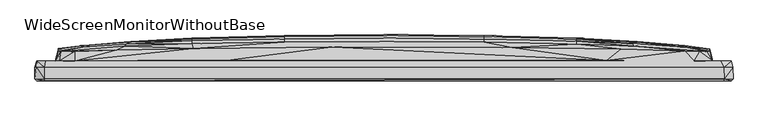
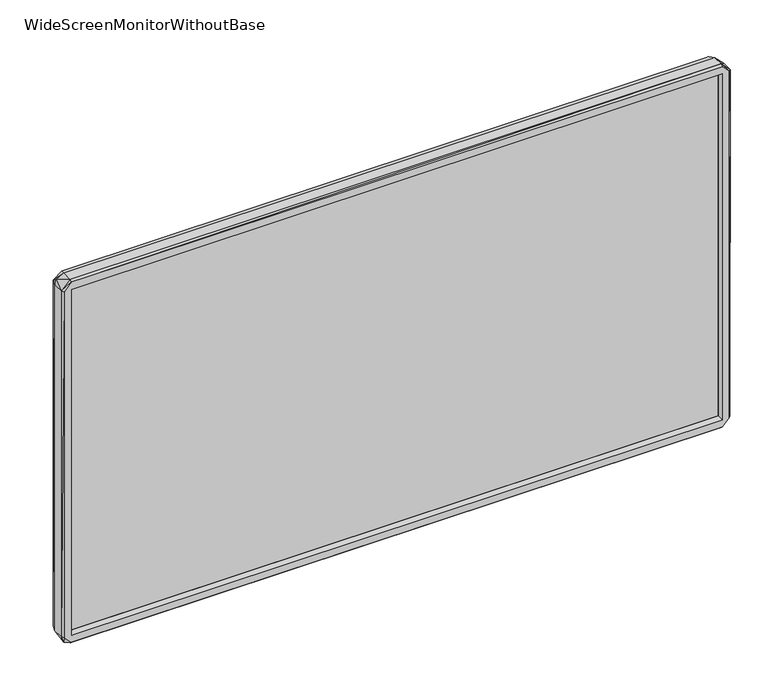
"""IFC4 building model written with IfcOpenShell, lengths in millimetres: furniture geometry, WideScreenMonitorWithoutBase."""

from ifc_helpers import new_model, si_unit, origin, place, context, project, spatial, triangles, source, transform, mapped, element, save


def widescreenmonitorwithoutbase_700a3e0c(model_context):
    return source(origin(), model_context, "Body", "Tessellation", [
        triangles([(-524.0943543, -0.9800916, 14.639141), (-523.9943241, 16.319908, 14.3391411), (-519.8943563, -0.9800909, 4.5391414), (-521.2943436, -4.0800911, 14.2391415), (-524.0943543, 16.319908, 587.7769135), (-523.9943241, -0.9800916, 588.3768768), (-521.4943314, -4.0800911, 587.7769135), (-520.9943619, 25.5199085, 16.1391402), (-510.2943246, 16.3199102, 0.1391416), (-521.2943436, 25.5199085, 589.2768946), (-510.3943185, -4.0800894, 14.5391414), (-510.3943185, -4.0800894, 588.176889), (-509.9943429, -4.0800888, 2.6391416), (-451.2278718, 25.5199221, 2.6391416), (-493.6943204, 26.119915, 54.7391415), (-465.1278591, 26.1199173, 26.7391405), (-493.8943445, 26.119915, 547.4931078), (-510.194367, -0.9800892, 0.0391416), (-507.2943624, 2.419911, 17.9391405), (507.3023561, 2.4200884, 17.9391405), (510.4023122, -4.0799106, 14.5391414), (510.1023305, -4.0799106, 2.6391416), (510.1023305, 16.3200885, 0.0391416), (510.5023424, -0.9799107, 0.1391416), (507.3023561, 8.9200877, 17.9391405), (-507.2943624, 8.9199105, 17.9391405), (-507.2943624, 8.9199105, 584.7768785), (-507.2943624, 2.419911, 584.7768785), (134.4369613, 9.1200238, 240.9742265), (-489.2943346, 42.1012638, 115.8066849), (-486.5943541, 40.1012632, 50.9391373), (-476.2943287, 39.8012679, 36.639138), (-427.127853, 41.3012763, 30.5391402), (88.536965, 46.6013615, 30.5391402), (185.0034605, 26.920032, 26.2391415), (507.9023194, 25.5200902, 2.7391414), (465.0358589, 26.1200808, 26.7391405), (331.3029244, 43.9014082, 30.5391402), (450.7358597, 40.601428, 30.7391416), (473.9023599, 39.9014298, 35.2391417), (487.9023411, 26.0200846, 37.5391399), (521.2023434, 25.5200924, 13.039141), (487.4023353, 40.2014388, 55.8229144), (493.6023202, 26.1200853, 57.3229137), (507.3023561, 8.9200877, 584.7768785), (507.3023561, 2.4200884, 584.7768785), (510.4023122, -4.0799106, 588.176889), (524.0023905, 16.3200908, 14.5391414), (521.4023675, -4.0799086, 14.639141), (524.0023905, -0.9799084, 14.4391418), (521.3023373, 25.5200924, 589.2768946), (523.9023602, 16.3200908, 588.576901), (521.3023373, -4.0799086, 588.576901), (524.102348, -0.9799084, 588.0768951), (-368.2613517, 48.7012879, 80.4229163), (-451.3278657, 46.8012721, 137.0066809), (-373.4613613, 52.0012818, 138.0066834), (-288.4284339, 51.4013002, 80.4229163), (-191.2954638, 45.801315, 30.5391402), (-150.0954623, 54.0013232, 80.4229163), (0.0039932, 54.90135, 80.4229163), (150.1034378, 54.0013777, 80.4229163), (288.4364094, 51.801403, 84.7229173), (349.8029217, 49.9014099, 85.9229076), (425.5358717, 45.901427, 80.4229163), (493.7023504, 26.1200853, 548.0768658), (489.3023283, 43.2014373, 171.8904528), (489.3023283, 43.5014372, 418.2255621), (-288.4284339, 55.7013012, 137.8066865), (-150.0954623, 59.1013253, 138.7066861), (0.0039923, 60.1013506, 138.0066834), (150.1034378, 58.9013738, 136.706681), (288.4364094, 56.2014024, 145.2066891), (391.4693828, 51.0014155, 136.806684), (451.3358594, 46.5014267, 130.8066869), (-489.2943346, 44.3012657, 254.2742505), (-451.3278657, 49.0012741, 269.6742371), (-489.0943468, 40.9012643, 527.6930809), (-378.7613648, 54.4012806, 220.4742424), (-288.4284339, 59.101298, 220.4742424), (-150.0954623, 62.9013159, 220.4742424), (0.0039916, 64.1013517, 220.4742424), (150.1034378, 62.9013795, 220.4742424), (288.4364094, 59.1014025, 220.4742424), (381.2693876, 54.2014154, 220.4742424), (451.3358594, 48.7014287, 220.4742424), (451.3358594, 49.0014285, 331.9417663), (-489.2943346, 43.701266, 400.6255463), (-379.9613643, 55.1012833, 301.1580166), (-451.3278657, 48.7012697, 381.9417666), (-381.2613939, 54.2012837, 381.9417666), (-288.4284339, 60.0012976, 301.1580166), (-150.0954623, 64.0013214, 301.1580166), (0.0039914, 65.3013511, 301.1580166), (150.1034378, 64.0013805, 301.1580166), (288.4364094, 60.0014021, 301.1580166), (379.9693943, 55.101415, 301.1580166), (-288.4284339, 59.101298, 381.9417666), (-150.0954623, 62.9013159, 381.9417666), (0.0039916, 64.1013517, 381.9417666), (150.1034378, 62.9013795, 381.9417666), (288.4364094, 59.1014025, 381.9417666), (378.6693646, 54.4014169, 381.9417666), (-451.3278657, 46.5012723, 471.6092949), (-387.6613667, 51.6012835, 457.2093018), (-288.4284339, 56.2012979, 457.2093018), (-150.0954623, 58.9013193, 465.6092978), (0.0039923, 60.1013506, 464.4093347), (150.1034378, 59.1013753, 463.709341), (288.4364094, 55.7014056, 464.5092922), (373.4693913, 52.001418, 464.4093347), (451.3358594, 46.8014311, 465.40931), (489.1023768, 40.5014341, 538.4931121), (-484.9943427, 39.9012618, 555.7769045), (-388.96136, 48.1012836, 516.6930619), (-288.4284339, 51.7013001, 518.1930794), (-150.0954623, 54.0013232, 521.9931018), (0.0039932, 54.90135, 521.9931018), (150.1034378, 54.0013777, 521.9931018), (288.4364094, 51.4014047, 521.9931018), (373.8694033, 48.4014152, 521.9931018), (485.5023786, 40.0014374, 554.7768929), (-487.8943474, 26.0199143, 565.1769121), (-402.16139, 42.3012788, 571.9768968), (-286.6284166, 44.7013004, 571.9768968), (-77.6624925, 46.7013327, 571.9768968), (191.9034209, 45.9013861, 571.9768968), (355.8028825, 43.5014145, 571.9768968), (451.3358594, 40.501425, 571.6769151), (-521.794313, 16.5199094, 595.6769036), (-510.3943185, -0.9800893, 602.6768761), (-510.194367, -4.0800894, 599.9768955), (-510.0943368, 16.3199102, 602.6768761), (-508.3943679, 25.5199108, 600.0769258), (-464.2278414, 26.1199173, 576.0768645), (510.7023665, -0.9799107, 602.5769185), (510.1023305, 16.3200885, 602.6768761), (510.1023305, -4.0799106, 600.0769258), (505.9023325, 25.5200879, 600.0769258), (-230.6619199, 26.9199593, 576.4768764), (-464.2278414, 40.1012677, 569.8769159), (333.5028992, 26.6200594, 576.4768764), (465.5358647, 26.1200808, 575.8768767), (474.1023477, 39.8014359, 567.1768627)], [[1, 2, 3], [1, 3, 4], [1, 5, 2], [1, 6, 5], [1, 7, 6], [1, 4, 7], [2, 8, 9], [2, 9, 3], [2, 5, 10], [2, 10, 8], [4, 11, 12], [4, 13, 11], [4, 12, 7], [4, 3, 13], [8, 14, 9], [8, 15, 16], [8, 16, 14], [8, 17, 15], [8, 10, 17], [3, 18, 13], [3, 9, 18], [11, 19, 12], [11, 20, 19], [11, 21, 20], [11, 13, 22], [11, 22, 21], [9, 14, 23], [9, 23, 18], [18, 23, 24], [18, 24, 13], [13, 24, 22], [19, 25, 26], [19, 20, 25], [19, 26, 27], [19, 28, 12], [19, 27, 28], [26, 25, 29], [26, 29, 27], [15, 30, 31], [15, 17, 30], [15, 31, 32], [15, 32, 16], [16, 32, 33], [16, 33, 34], [16, 34, 35], [16, 35, 14], [14, 35, 36], [14, 36, 23], [35, 37, 36], [35, 34, 38], [35, 38, 37], [37, 38, 39], [37, 39, 40], [37, 40, 41], [37, 41, 42], [37, 42, 36], [41, 40, 43], [41, 43, 44], [41, 44, 42], [25, 45, 29], [25, 20, 46], [25, 46, 45], [20, 21, 47], [20, 47, 46], [36, 42, 23], [23, 42, 48], [23, 48, 24], [22, 24, 49], [22, 49, 21], [21, 49, 47], [24, 50, 49], [24, 48, 50], [42, 44, 51], [42, 51, 52], [42, 52, 48], [49, 53, 47], [49, 50, 54], [49, 54, 53], [48, 52, 54], [48, 54, 50], [31, 33, 32], [31, 55, 33], [31, 30, 56], [31, 56, 57], [31, 57, 55], [33, 55, 58], [33, 58, 59], [33, 59, 34], [59, 58, 60], [59, 60, 61], [59, 61, 34], [34, 61, 62], [34, 62, 38], [38, 62, 63], [38, 63, 64], [38, 64, 65], [38, 65, 39], [39, 65, 40], [40, 65, 43], [44, 66, 51], [44, 43, 67], [44, 67, 68], [44, 68, 66], [55, 57, 69], [55, 69, 58], [58, 69, 70], [58, 70, 60], [60, 70, 71], [60, 71, 61], [61, 71, 72], [61, 72, 62], [62, 72, 63], [63, 72, 73], [63, 73, 74], [63, 74, 64], [64, 74, 65], [65, 74, 75], [65, 75, 43], [43, 75, 67], [30, 76, 77], [30, 77, 56], [30, 17, 78], [30, 78, 76], [56, 77, 79], [56, 79, 57], [57, 79, 80], [57, 80, 69], [69, 80, 81], [69, 81, 70], [70, 81, 82], [70, 82, 71], [71, 82, 83], [71, 83, 72], [72, 83, 84], [72, 84, 73], [73, 84, 85], [73, 85, 74], [74, 85, 86], [74, 86, 75], [75, 86, 67], [67, 86, 87], [67, 87, 68], [29, 45, 27], [76, 88, 77], [76, 78, 88], [77, 89, 79], [77, 90, 91], [77, 91, 89], [77, 88, 90], [79, 89, 92], [79, 92, 80], [80, 92, 93], [80, 93, 81], [81, 93, 94], [81, 94, 82], [82, 94, 95], [82, 95, 83], [83, 95, 96], [83, 96, 84], [84, 96, 97], [84, 97, 85], [85, 97, 87], [85, 87, 86], [89, 91, 98], [89, 98, 92], [92, 98, 99], [92, 99, 93], [93, 99, 100], [93, 100, 94], [94, 100, 101], [94, 101, 95], [95, 101, 102], [95, 102, 96], [96, 102, 103], [96, 103, 97], [97, 103, 87], [90, 88, 104], [90, 104, 105], [90, 105, 91], [91, 105, 106], [91, 106, 98], [98, 106, 107], [98, 107, 99], [99, 107, 108], [99, 108, 100], [100, 108, 109], [100, 109, 101], [101, 109, 110], [101, 110, 102], [102, 110, 111], [102, 111, 103], [103, 111, 112], [103, 112, 87], [87, 112, 68], [88, 78, 104], [68, 112, 113], [68, 113, 66], [104, 78, 114], [104, 115, 105], [104, 114, 115], [105, 115, 116], [105, 116, 106], [106, 116, 107], [107, 116, 117], [107, 117, 118], [107, 118, 108], [108, 118, 119], [108, 119, 109], [109, 119, 120], [109, 120, 110], [110, 120, 121], [110, 121, 111], [111, 121, 122], [111, 122, 112], [112, 122, 113], [17, 123, 114], [17, 114, 78], [17, 10, 123], [115, 114, 124], [115, 124, 125], [115, 125, 116], [116, 125, 117], [117, 125, 126], [117, 126, 118], [118, 126, 127], [118, 127, 119], [119, 127, 120], [120, 127, 128], [120, 128, 121], [121, 128, 129], [121, 129, 122], [113, 122, 66], [5, 6, 130], [5, 130, 10], [6, 131, 130], [6, 7, 132], [6, 132, 131], [130, 131, 133], [130, 133, 10], [7, 12, 132], [10, 134, 135], [10, 135, 123], [10, 133, 134], [12, 28, 47], [12, 47, 132], [131, 132, 136], [131, 137, 133], [131, 136, 137], [132, 138, 136], [132, 47, 138], [133, 139, 134], [133, 137, 139], [134, 140, 135], [134, 139, 140], [28, 27, 45], [28, 45, 46], [28, 46, 47], [123, 135, 141], [123, 141, 114], [135, 140, 125], [135, 124, 141], [135, 125, 124], [140, 139, 142], [140, 142, 126], [140, 126, 125], [142, 143, 129], [142, 127, 126], [142, 128, 127], [142, 129, 128], [142, 139, 143], [143, 139, 51], [143, 51, 66], [143, 66, 144], [143, 144, 129], [66, 122, 144], [139, 137, 51], [137, 136, 52], [137, 52, 51], [138, 47, 53], [138, 53, 136], [136, 54, 52], [136, 53, 54], [114, 141, 124], [129, 144, 122]]),
        triangles([(507.2588267, 5.0112, 17.9787207), (507.2588267, 5.0112, 584.7926116), (507.2588267, 2.4112, 17.9787207), (507.2588267, 2.4112, 584.7926116), (-507.2899295, 2.4110226, 584.7926116), (-507.2899295, 5.0110228, 584.7926116), (-507.2899295, 5.0110228, 17.9787207), (-507.2899295, 2.4110226, 17.9787207)], [[1, 2, 3], [3, 2, 4], [5, 4, 2], [5, 2, 6], [7, 1, 3], [7, 3, 8], [7, 6, 1], [7, 8, 5], [7, 5, 6], [8, 3, 4], [8, 4, 5], [1, 6, 2]]),
    ])


if __name__ == "__main__":
    model = new_model("IFC4")
    model_context = context("Model", 3, world=origin())
    ifc_project = project(units=[si_unit("LENGTHUNIT", "METRE", prefix="MILLI")], contexts=[model_context])
    site = spatial("IfcSite", under=ifc_project)
    building = spatial("IfcBuilding", under=site)
    placement = place(None, origin())
    widescreenmonitorwithoutbase_shape = widescreenmonitorwithoutbase_700a3e0c(model_context)
    element("IfcFurniture", 1, ObjectType="WideScreenMonitorWithoutBase", at=placement, inside=building, context=model_context, shape_type="MappedRepresentation", body=[
        mapped(widescreenmonitorwithoutbase_shape, transform((0.0, 0.0, 0.0), x_axis=(1.0, 0.0, 0.0), y_axis=(0.0, 1.0, 0.0), z_axis=(0.0, 0.0, 1.0))),
    ])
    save(model, "model.ifc")
